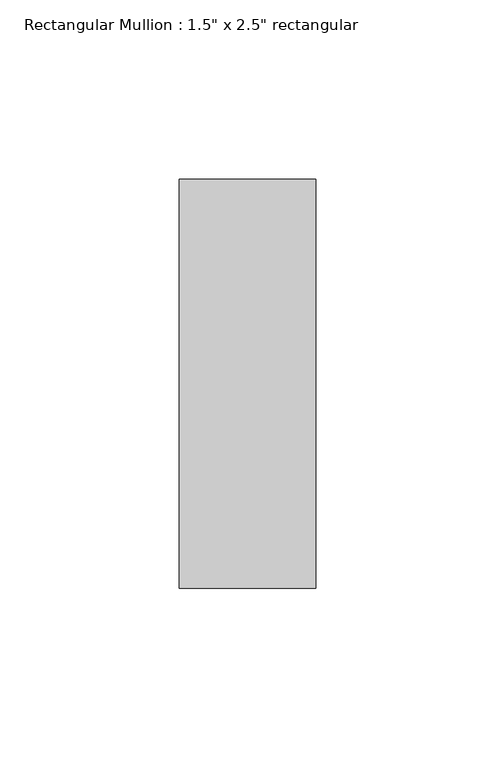
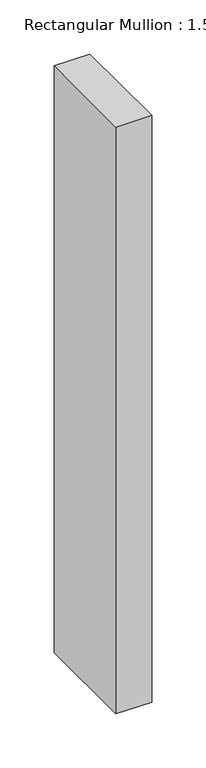
"""IFC4 building model written with IfcOpenShell, lengths in millimetres: member geometry."""

from ifc_helpers import new_model, si_unit, frame, origin, place, context, project, spatial, polyline, outline, extrude, source, transform, mapped, element, save


def member_69c3303e(model_context):
    return source(origin(), model_context, "Body", "SweptSolid", [
        extrude(outline(polyline([(19.05, 57.15), (19.05, -57.15), (-19.05, -57.15), (-19.05, 57.15), (19.05, 57.15)])), frame((0.0, 0.0, -662.5166667), z_axis=(0.0, 0.0, 1.0), x_axis=(1.0, 0.0, 0.0)), (0.0, 0.0, 1.0), 662.5166667),
    ])


if __name__ == "__main__":
    model = new_model("IFC4")
    model_context = context("Model", 3, world=origin())
    ifc_project = project(units=[si_unit("LENGTHUNIT", "METRE", prefix="MILLI")], contexts=[model_context])
    site = spatial("IfcSite", under=ifc_project)
    building = spatial("IfcBuilding", under=site)
    placement = place(None, origin())
    member_shape = member_69c3303e(model_context)
    element("IfcMember", 1, ObjectType="Rectangular Mullion : 1.5\" x 2.5\" rectangular", at=placement, inside=building, context=model_context, shape_type="MappedRepresentation", body=[
        mapped(member_shape, transform((0.0, 0.0, 0.0), x_axis=(1.0, 0.0, 0.0), y_axis=(0.0, 1.0, 0.0), z_axis=(0.0, 0.0, 1.0))),
    ])
    save(model, "model.ifc")
